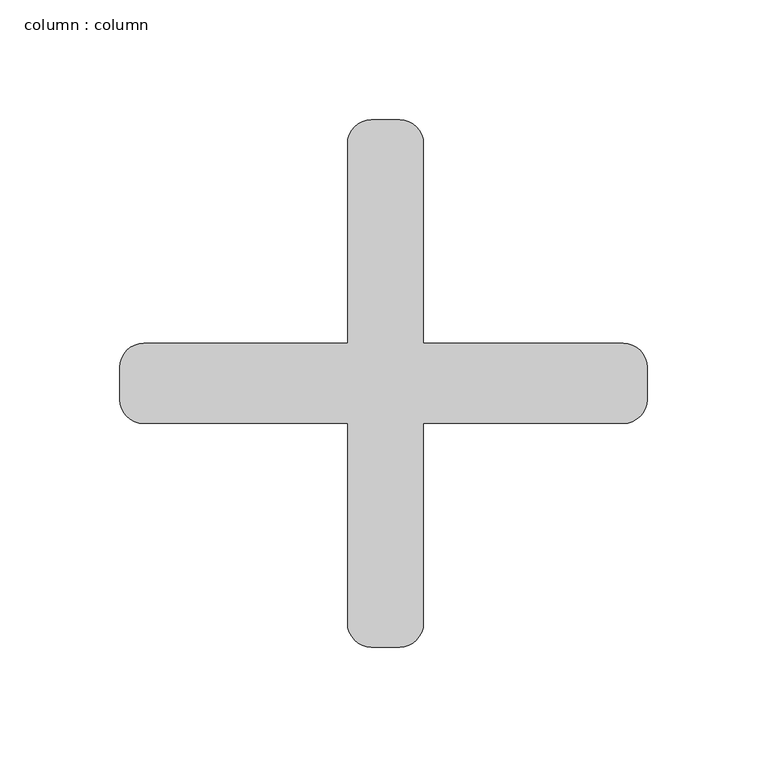
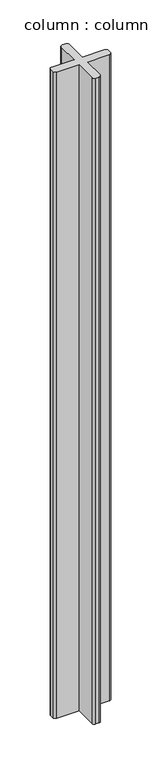
"""IFC4 building model written with IfcOpenShell, lengths in millimetres: column geometry, column : column."""

from ifc_helpers import new_model, si_unit, point, frame, frame_2d, origin, place, context, project, spatial, polyline, circle_curve, trimmed, segment, composite_curve, outline, extrude, source, transform, mapped, element, save


def column_column_44966b77(model_context):
    return source(origin(), model_context, "Body", "SweptSolid", [
        extrude(outline(composite_curve([segment(trimmed(circle_curve(frame_2d((6.7, 100.0)), 10.0), [point((6.7, 110.0))], [point((16.7, 100.0))], False, "CARTESIAN"), True, "CONTINUOUS"), segment(polyline([(16.7, 100.0), (16.7, 16.7), (100.0, 16.7)]), True, "CONTINUOUS"), segment(trimmed(circle_curve(frame_2d((100.0, 6.7)), 10.0), [point((100.0, 16.7))], [point((110.0, 6.7))], False, "CARTESIAN"), True, "CONTINUOUS"), segment(polyline([(110.0, 6.7), (110.0, -6.7)]), True, "CONTINUOUS"), segment(trimmed(circle_curve(frame_2d((100.0, -6.7)), 10.0), [point((110.0, -6.7))], [point((100.0, -16.7))], False, "CARTESIAN"), True, "CONTINUOUS"), segment(polyline([(100.0, -16.7), (16.7, -16.7), (16.7, -100.0)]), True, "CONTINUOUS"), segment(trimmed(circle_curve(frame_2d((6.7, -100.0)), 10.0), [point((16.7, -100.0))], [point((6.7, -110.0))], False, "CARTESIAN"), True, "CONTINUOUS"), segment(polyline([(6.7, -110.0), (-5.0, -110.0)]), True, "CONTINUOUS"), segment(trimmed(circle_curve(frame_2d((-5.0, -100.0)), 10.0), [point((-5.0, -110.0))], [point((-15.0, -100.0))], False, "CARTESIAN"), True, "CONTINUOUS"), segment(polyline([(-15.0, -100.0), (-15.0, -16.7), (-100.0, -16.7)]), True, "CONTINUOUS"), segment(trimmed(circle_curve(frame_2d((-100.0, -6.7)), 10.0), [point((-100.0, -16.7))], [point((-110.0, -6.7))], False, "CARTESIAN"), True, "CONTINUOUS"), segment(polyline([(-110.0, -6.7), (-110.0, 6.7)]), True, "CONTINUOUS"), segment(trimmed(circle_curve(frame_2d((-100.0, 6.7)), 10.0), [point((-110.0, 6.7))], [point((-100.0, 16.7))], False, "CARTESIAN"), True, "CONTINUOUS"), segment(polyline([(-100.0, 16.7), (-15.0, 16.7), (-15.0, 100.0)]), True, "CONTINUOUS"), segment(trimmed(circle_curve(frame_2d((-5.0, 100.0)), 10.0), [point((-15.0, 100.0))], [point((-5.0, 110.0))], False, "CARTESIAN"), True, "CONTINUOUS"), segment(polyline([(-5.0, 110.0), (6.7, 110.0)]), True, "CONTINUOUS")], self_intersect=False)), frame((0.0, 0.0, 2800.0), z_axis=(0.0, 0.0, 1.0), x_axis=(1.0, 0.0, 0.0)), (0.0, 0.0, 1.0), 2600.0),
    ])


if __name__ == "__main__":
    model = new_model("IFC4")
    model_context = context("Model", 3, world=origin())
    ifc_project = project(units=[si_unit("LENGTHUNIT", "METRE", prefix="MILLI")], contexts=[model_context])
    site = spatial("IfcSite", under=ifc_project)
    building = spatial("IfcBuilding", under=site)
    placement = place(None, origin())
    column_column_shape = column_column_44966b77(model_context)
    element("IfcColumn", 1, ObjectType="column : column", at=placement, inside=building, context=model_context, shape_type="MappedRepresentation", body=[
        mapped(column_column_shape, transform((0.0, 0.0, 0.0), x_axis=(1.0, 0.0, 0.0), y_axis=(0.0, 1.0, 0.0), z_axis=(0.0, 0.0, 1.0))),
    ])
    save(model, "model.ifc")
